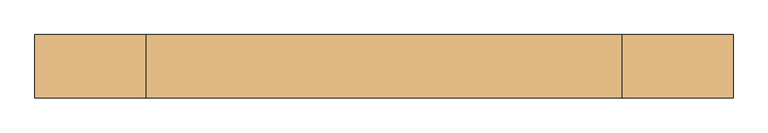
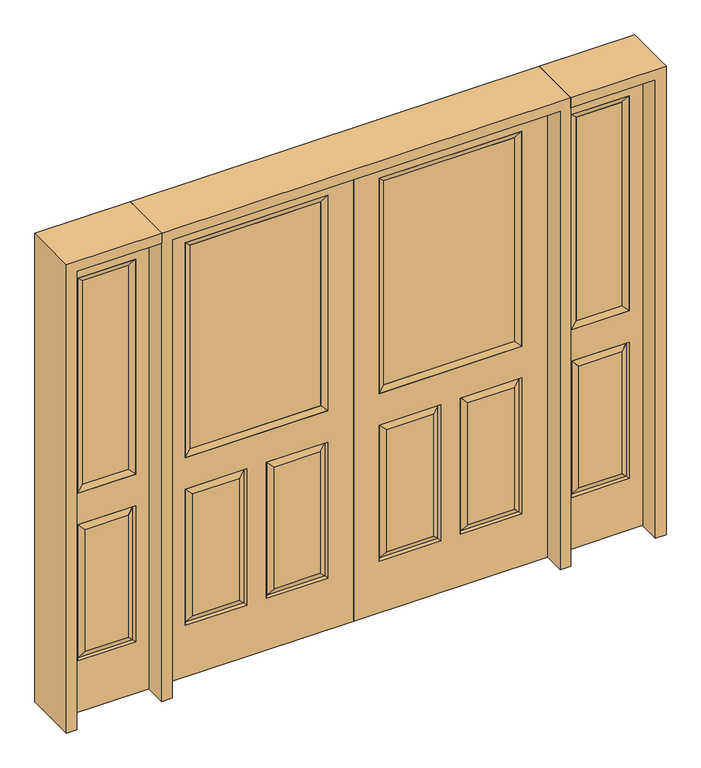
"""IFC4 building model written with IfcOpenShell, lengths in millimetres: door geometry."""

from ifc_helpers import new_model, si_unit, frame, origin, place, context, project, spatial, polyline, outline, extrude, faceted_brep, source, transform, mapped, element, save


def door_e6eff5d9(model_context):
    return source(origin(), model_context, "Body", "SolidModel", [
        faceted_brep([(0.0, -22.225, 0.0), (0.0, -22.225, 2032.0), (-812.8, -22.225, 2032.0), (-812.8, -22.225, 0.0), (-107.061, -22.225, 971.55), (-705.739, -22.225, 971.55), (-705.739, -22.225, 1925.574), (-107.061, -22.225, 1925.574), (-107.061, -22.225, 831.85), (-107.061, -22.225, 228.6), (-365.125, -22.225, 228.6), (-365.125, -22.225, 831.85), (-447.675, -22.225, 831.85), (-447.675, -22.225, 228.6), (-705.739, -22.225, 228.6), (-705.739, -22.225, 831.85), (-333.375, -22.225, 800.1), (-333.375, -22.225, 260.35), (-138.811, -22.225, 260.35), (-138.811, -22.225, 800.1), (-673.989, -22.225, 800.1), (-673.989, -22.225, 260.35), (-479.425, -22.225, 260.35), (-479.425, -22.225, 800.1), (-812.8, 22.225, 0.0), (0.0, 22.225, 0.0), (-812.8, 22.225, 2032.0), (0.0, 22.225, 2032.0), (-107.061, 22.225, 1925.574), (-107.061, 22.225, 971.55), (-705.739, 22.225, 971.55), (-705.739, 22.225, 1925.574), (-365.125, 22.225, 831.85), (-365.125, 22.225, 228.6), (-107.061, 22.225, 228.6), (-107.061, 22.225, 831.85), (-705.739, 22.225, 831.85), (-705.739, 22.225, 228.6), (-447.675, 22.225, 228.6), (-447.675, 22.225, 831.85), (-138.811, 22.225, 800.1), (-138.811, 22.225, 260.35), (-333.375, 22.225, 260.35), (-333.375, 22.225, 800.1), (-479.425, 22.225, 800.1), (-479.425, 22.225, 260.35), (-673.989, 22.225, 260.35), (-673.989, 22.225, 800.1), (-114.20475, -12.7449236, 824.70625), (-357.98125, -12.7449236, 824.70625), (-114.20475, -12.7449236, 235.74375), (-357.98125, -12.7449236, 235.74375), (-698.59525, -12.7449236, 824.70625), (-454.81875, -12.7449236, 824.70625), (-454.81875, -12.7449236, 235.74375), (-698.59525, -12.7449236, 235.74375), (-114.20475, 12.7449236, 824.70625), (-357.98125, 12.7449236, 824.70625), (-357.98125, 12.7449236, 235.74375), (-114.20475, 12.7449236, 235.74375), (-698.59525, 12.7449236, 824.70625), (-454.81875, 12.7449236, 824.70625), (-698.59525, 12.7449236, 235.74375), (-454.81875, 12.7449236, 235.74375)], [[[0, 1, 2, 3], [4, 5, 6, 7], [8, 9, 10, 11], [12, 13, 14, 15]], [[16, 17, 18, 19]], [[20, 21, 22, 23]], [[3, 24, 25, 0]], [[2, 26, 24, 3]], [[0, 25, 27, 1]], [[7, 28, 29, 4]], [[5, 30, 31, 6]], [[4, 29, 30, 5]], [[25, 24, 26, 27], [29, 28, 31, 30], [32, 33, 34, 35], [36, 37, 38, 39]], [[40, 41, 42, 43]], [[44, 45, 46, 47]], [[1, 27, 26, 2]], [[6, 31, 28, 7]], [[16, 19, 48, 49]], [[19, 18, 50, 48]], [[51, 50, 18, 17]], [[49, 51, 17, 16]], [[48, 8, 11, 49]], [[11, 10, 51, 49]], [[10, 9, 50, 51]], [[48, 50, 9, 8]], [[52, 20, 23, 53]], [[23, 22, 54, 53]], [[22, 21, 55, 54]], [[52, 55, 21, 20]], [[53, 12, 15, 52]], [[15, 14, 55, 52]], [[54, 55, 14, 13]], [[53, 54, 13, 12]], [[56, 40, 43, 57]], [[43, 42, 58, 57]], [[42, 41, 59, 58]], [[56, 59, 41, 40]], [[57, 32, 35, 56]], [[35, 34, 59, 56]], [[58, 59, 34, 33]], [[57, 58, 33, 32]], [[44, 47, 60, 61]], [[47, 46, 62, 60]], [[63, 62, 46, 45]], [[61, 63, 45, 44]], [[60, 36, 39, 61]], [[39, 38, 63, 61]], [[38, 37, 62, 63]], [[60, 62, 37, 36]]]),
        extrude(outline(polyline([(-680.339, -12.7), (-680.339, 12.7), (-132.461, 12.7), (-132.461, -12.7), (-680.339, -12.7)])), frame((0.0, 0.0, 996.95), z_axis=(0.0, 0.0, 1.0), x_axis=(1.0, 0.0, 0.0)), (0.0, 0.0, 1.0), 903.224),
        faceted_brep([(-107.061, -22.225, 1925.574), (-107.061, -22.225, 971.55), (-107.061, 22.225, 971.55), (-107.061, 22.225, 1925.574), (-705.739, -22.225, 971.55), (-705.739, 22.225, 971.55), (-680.339, 12.7, 996.95), (-132.461, 12.7, 996.95), (-705.739, -22.225, 1925.574), (-705.739, 22.225, 1925.574), (-132.461, -12.7, 996.95), (-680.339, -12.7, 996.95), (-132.461, -12.7, 1900.174), (-680.339, -12.7, 1900.174), (-132.461, 12.7, 1900.174), (-680.339, 12.7, 1900.174)], [[[0, 1, 2, 3]], [[1, 4, 5, 2]], [[2, 5, 6, 7]], [[4, 8, 9, 5]], [[10, 11, 4, 1]], [[12, 10, 1, 0]], [[11, 13, 8, 4]], [[7, 6, 11, 10]], [[14, 7, 10, 12]], [[6, 15, 13, 11]], [[3, 2, 7, 14]], [[5, 9, 15, 6]], [[8, 0, 3, 9]], [[13, 12, 0, 8]], [[15, 14, 12, 13]], [[9, 3, 14, 15]]]),
        faceted_brep([(0.0, -22.225, 0.0), (812.8, -22.225, 0.0), (812.8, -22.225, 2032.0), (0.0, -22.225, 2032.0), (107.061, -22.225, 971.55), (107.061, -22.225, 1925.574), (705.739, -22.225, 1925.574), (705.739, -22.225, 971.55), (107.061, -22.225, 831.85), (365.125, -22.225, 831.85), (365.125, -22.225, 228.6), (107.061, -22.225, 228.6), (447.675, -22.225, 831.85), (705.739, -22.225, 831.85), (705.739, -22.225, 228.6), (447.675, -22.225, 228.6), (333.375, -22.225, 800.1), (138.811, -22.225, 800.1), (138.811, -22.225, 260.35), (333.375, -22.225, 260.35), (673.989, -22.225, 800.1), (479.425, -22.225, 800.1), (479.425, -22.225, 260.35), (673.989, -22.225, 260.35), (0.0, 22.225, 0.0), (812.8, 22.225, 0.0), (812.8, 22.225, 2032.0), (0.0, 22.225, 2032.0), (107.061, 22.225, 971.55), (107.061, 22.225, 1925.574), (705.739, 22.225, 1925.574), (705.739, 22.225, 971.55), (365.125, 22.225, 831.85), (107.061, 22.225, 831.85), (107.061, 22.225, 228.6), (365.125, 22.225, 228.6), (705.739, 22.225, 831.85), (447.675, 22.225, 831.85), (447.675, 22.225, 228.6), (705.739, 22.225, 228.6), (138.811, 22.225, 800.1), (333.375, 22.225, 800.1), (333.375, 22.225, 260.35), (138.811, 22.225, 260.35), (479.425, 22.225, 800.1), (673.989, 22.225, 800.1), (673.989, 22.225, 260.35), (479.425, 22.225, 260.35), (357.98125, -12.7449236, 824.70625), (114.20475, -12.7449236, 824.70625), (114.20475, -12.7449236, 235.74375), (357.98125, -12.7449236, 235.74375), (698.59525, -12.7449236, 824.70625), (454.81875, -12.7449236, 824.70625), (454.81875, -12.7449236, 235.74375), (698.59525, -12.7449236, 235.74375), (114.20475, 12.7449236, 824.70625), (357.98125, 12.7449236, 824.70625), (357.98125, 12.7449236, 235.74375), (114.20475, 12.7449236, 235.74375), (454.81875, 12.7449236, 824.70625), (698.59525, 12.7449236, 824.70625), (698.59525, 12.7449236, 235.74375), (454.81875, 12.7449236, 235.74375)], [[[0, 1, 2, 3], [4, 5, 6, 7], [8, 9, 10, 11], [12, 13, 14, 15]], [[16, 17, 18, 19]], [[20, 21, 22, 23]], [[1, 0, 24, 25]], [[2, 1, 25, 26]], [[0, 3, 27, 24]], [[5, 4, 28, 29]], [[7, 6, 30, 31]], [[4, 7, 31, 28]], [[24, 27, 26, 25], [28, 31, 30, 29], [32, 33, 34, 35], [36, 37, 38, 39]], [[40, 41, 42, 43]], [[44, 45, 46, 47]], [[3, 2, 26, 27]], [[6, 5, 29, 30]], [[16, 48, 49, 17]], [[17, 49, 50, 18]], [[51, 19, 18, 50]], [[48, 16, 19, 51]], [[49, 48, 9, 8]], [[9, 48, 51, 10]], [[10, 51, 50, 11]], [[49, 8, 11, 50]], [[52, 53, 21, 20]], [[21, 53, 54, 22]], [[22, 54, 55, 23]], [[52, 20, 23, 55]], [[53, 52, 13, 12]], [[13, 52, 55, 14]], [[54, 15, 14, 55]], [[53, 12, 15, 54]], [[56, 57, 41, 40]], [[41, 57, 58, 42]], [[42, 58, 59, 43]], [[56, 40, 43, 59]], [[57, 56, 33, 32]], [[33, 56, 59, 34]], [[58, 35, 34, 59]], [[57, 32, 35, 58]], [[44, 60, 61, 45]], [[45, 61, 62, 46]], [[63, 47, 46, 62]], [[60, 44, 47, 63]], [[61, 60, 37, 36]], [[37, 60, 63, 38]], [[38, 63, 62, 39]], [[61, 36, 39, 62]]]),
        extrude(outline(polyline([(680.339, -12.7), (132.461, -12.7), (132.461, 12.7), (680.339, 12.7), (680.339, -12.7)])), frame((0.0, 0.0, 996.95), z_axis=(0.0, 0.0, 1.0), x_axis=(1.0, 0.0, 0.0)), (0.0, 0.0, 1.0), 903.224),
        faceted_brep([(107.061, -22.225, 1925.574), (107.061, 22.225, 1925.574), (107.061, 22.225, 971.55), (107.061, -22.225, 971.55), (705.739, 22.225, 971.55), (705.739, -22.225, 971.55), (132.461, 12.7, 996.95), (680.339, 12.7, 996.95), (705.739, 22.225, 1925.574), (705.739, -22.225, 1925.574), (132.461, -12.7, 996.95), (680.339, -12.7, 996.95), (132.461, -12.7, 1900.174), (680.339, -12.7, 1900.174), (132.461, 12.7, 1900.174), (680.339, 12.7, 1900.174)], [[[0, 1, 2, 3]], [[3, 2, 4, 5]], [[2, 6, 7, 4]], [[5, 4, 8, 9]], [[10, 3, 5, 11]], [[12, 0, 3, 10]], [[11, 5, 9, 13]], [[6, 10, 11, 7]], [[14, 12, 10, 6]], [[7, 11, 13, 15]], [[1, 14, 6, 2]], [[4, 7, 15, 8]], [[9, 8, 1, 0]], [[13, 9, 0, 12]], [[15, 13, 12, 14]], [[8, 15, 14, 1]]]),
        faceted_brep([(1212.85, -22.225, 0.0), (1212.85, -22.225, 2032.0), (857.25, -22.225, 2032.0), (857.25, -22.225, 0.0), (913.638, -22.225, 1925.574), (1156.462, -22.225, 1925.574), (1156.462, -22.225, 971.55), (913.638, -22.225, 971.55), (913.638, -22.225, 228.6), (913.638, -22.225, 831.85), (1156.462, -22.225, 831.85), (1156.462, -22.225, 228.6), (1124.5559872, -22.225, 260.5060128), (1124.5559872, -22.225, 799.9439872), (945.5440128, -22.225, 799.9439872), (945.5440128, -22.225, 260.5060128), (857.25, 22.225, 0.0), (1212.85, 22.225, 0.0), (857.25, 22.225, 2032.0), (1212.85, 22.225, 2032.0), (913.638, 22.225, 971.55), (913.638, 22.225, 1925.574), (1156.462, 22.225, 971.55), (1156.462, 22.225, 1925.574), (1156.462, 22.225, 228.6), (1156.462, 22.225, 831.85), (913.638, 22.225, 831.85), (913.638, 22.225, 228.6), (945.5440128, 22.225, 260.5060128), (945.5440128, 22.225, 799.9439872), (1124.5559872, 22.225, 799.9439872), (1124.5559872, 22.225, 260.5060128), (1149.5419933, -13.0418409, 235.5200067), (920.5580067, -13.0418409, 235.5200067), (1149.5419933, -13.0418409, 824.9299933), (920.5580067, -13.0418409, 824.9299933), (1149.5419933, 13.0418409, 235.5200067), (920.5580067, 13.0418409, 235.5200067), (920.5580067, 13.0418409, 824.9299933), (1149.5419933, 13.0418409, 824.9299933)], [[[0, 1, 2, 3], [4, 5, 6, 7], [8, 9, 10, 11]], [[12, 13, 14, 15]], [[3, 16, 17, 0]], [[2, 18, 16, 3]], [[0, 17, 19, 1]], [[7, 20, 21, 4]], [[6, 22, 20, 7]], [[5, 23, 22, 6]], [[17, 16, 18, 19], [21, 20, 22, 23], [24, 25, 26, 27]], [[28, 29, 30, 31]], [[1, 19, 18, 2]], [[4, 21, 23, 5]], [[8, 11, 32, 33]], [[11, 10, 34, 32]], [[35, 34, 10, 9]], [[33, 35, 9, 8]], [[32, 12, 15, 33]], [[15, 14, 35, 33]], [[14, 13, 34, 35]], [[32, 34, 13, 12]], [[36, 24, 27, 37]], [[27, 26, 38, 37]], [[26, 25, 39, 38]], [[36, 39, 25, 24]], [[37, 28, 31, 36]], [[31, 30, 39, 36]], [[38, 39, 30, 29]], [[37, 38, 29, 28]]]),
        extrude(outline(polyline([(939.038, -12.7), (939.038, 12.7), (1131.062, 12.7), (1131.062, -12.7), (939.038, -12.7)])), frame((0.0, 0.0, 996.95), z_axis=(0.0, 0.0, 1.0), x_axis=(1.0, 0.0, 0.0)), (0.0, 0.0, 1.0), 903.224),
        faceted_brep([(1156.462, -22.225, 1925.574), (1156.462, -22.225, 971.55), (1156.462, 22.225, 971.55), (1156.462, 22.225, 1925.574), (913.638, -22.225, 971.55), (913.638, 22.225, 971.55), (939.038, 12.7, 996.95), (1131.062, 12.7, 996.95), (913.638, -22.225, 1925.574), (913.638, 22.225, 1925.574), (1131.062, -12.7, 996.95), (939.038, -12.7, 996.95), (1131.062, -12.7, 1900.174), (939.038, -12.7, 1900.174), (1131.062, 12.7, 1900.174), (939.038, 12.7, 1900.174)], [[[0, 1, 2, 3]], [[1, 4, 5, 2]], [[2, 5, 6, 7]], [[4, 8, 9, 5]], [[10, 11, 4, 1]], [[12, 10, 1, 0]], [[11, 13, 8, 4]], [[7, 6, 11, 10]], [[14, 7, 10, 12]], [[6, 15, 13, 11]], [[3, 2, 7, 14]], [[5, 9, 15, 6]], [[8, 0, 3, 9]], [[13, 12, 0, 8]], [[15, 14, 12, 13]], [[9, 3, 14, 15]]]),
        faceted_brep([(-1212.85, -22.225, 0.0), (-857.25, -22.225, 0.0), (-857.25, -22.225, 2032.0), (-1212.85, -22.225, 2032.0), (-913.638, -22.225, 1925.574), (-913.638, -22.225, 971.55), (-1156.462, -22.225, 971.55), (-1156.462, -22.225, 1925.574), (-913.638, -22.225, 228.6), (-1156.462, -22.225, 228.6), (-1156.462, -22.225, 831.85), (-913.638, -22.225, 831.85), (-1124.5559872, -22.225, 260.5060128), (-945.5440128, -22.225, 260.5060128), (-945.5440128, -22.225, 799.9439872), (-1124.5559872, -22.225, 799.9439872), (-1212.85, 22.225, 0.0), (-857.25, 22.225, 0.0), (-857.25, 22.225, 2032.0), (-1212.85, 22.225, 2032.0), (-913.638, 22.225, 1925.574), (-913.638, 22.225, 971.55), (-1156.462, 22.225, 971.55), (-1156.462, 22.225, 1925.574), (-1156.462, 22.225, 228.6), (-913.638, 22.225, 228.6), (-913.638, 22.225, 831.85), (-1156.462, 22.225, 831.85), (-945.5440128, 22.225, 260.5060128), (-1124.5559872, 22.225, 260.5060128), (-1124.5559872, 22.225, 799.9439872), (-945.5440128, 22.225, 799.9439872), (-920.5580067, -13.0418409, 235.5200067), (-1149.5419933, -13.0418409, 235.5200067), (-1149.5419933, -13.0418409, 824.9299933), (-920.5580067, -13.0418409, 824.9299933), (-1149.5419933, 13.0418409, 235.5200067), (-920.5580067, 13.0418409, 235.5200067), (-920.5580067, 13.0418409, 824.9299933), (-1149.5419933, 13.0418409, 824.9299933)], [[[0, 1, 2, 3], [4, 5, 6, 7], [8, 9, 10, 11]], [[12, 13, 14, 15]], [[1, 0, 16, 17]], [[2, 1, 17, 18]], [[0, 3, 19, 16]], [[5, 4, 20, 21]], [[6, 5, 21, 22]], [[7, 6, 22, 23]], [[16, 19, 18, 17], [20, 23, 22, 21], [24, 25, 26, 27]], [[28, 29, 30, 31]], [[3, 2, 18, 19]], [[4, 7, 23, 20]], [[8, 32, 33, 9]], [[9, 33, 34, 10]], [[35, 11, 10, 34]], [[32, 8, 11, 35]], [[33, 32, 13, 12]], [[13, 32, 35, 14]], [[14, 35, 34, 15]], [[33, 12, 15, 34]], [[36, 37, 25, 24]], [[25, 37, 38, 26]], [[26, 38, 39, 27]], [[36, 24, 27, 39]], [[37, 36, 29, 28]], [[29, 36, 39, 30]], [[38, 31, 30, 39]], [[37, 28, 31, 38]]]),
        extrude(outline(polyline([(-939.038, -12.7), (-1131.062, -12.7), (-1131.062, 12.7), (-939.038, 12.7), (-939.038, -12.7)])), frame((0.0, 0.0, 996.95), z_axis=(0.0, 0.0, 1.0), x_axis=(1.0, 0.0, 0.0)), (0.0, 0.0, 1.0), 903.224),
        faceted_brep([(-1156.462, -22.225, 1925.574), (-1156.462, 22.225, 1925.574), (-1156.462, 22.225, 971.55), (-1156.462, -22.225, 971.55), (-913.638, 22.225, 971.55), (-913.638, -22.225, 971.55), (-1131.062, 12.7, 996.95), (-939.038, 12.7, 996.95), (-913.638, 22.225, 1925.574), (-913.638, -22.225, 1925.574), (-1131.062, -12.7, 996.95), (-939.038, -12.7, 996.95), (-1131.062, -12.7, 1900.174), (-939.038, -12.7, 1900.174), (-1131.062, 12.7, 1900.174), (-939.038, 12.7, 1900.174)], [[[0, 1, 2, 3]], [[3, 2, 4, 5]], [[2, 6, 7, 4]], [[5, 4, 8, 9]], [[10, 3, 5, 11]], [[12, 0, 3, 10]], [[11, 5, 9, 13]], [[6, 10, 11, 7]], [[14, 12, 10, 6]], [[7, 11, 13, 15]], [[1, 14, 6, 2]], [[4, 7, 15, 8]], [[9, 8, 1, 0]], [[13, 9, 0, 12]], [[15, 13, 12, 14]], [[8, 15, 14, 1]]]),
        extrude(outline(polyline([(2032.0, -857.25), (2076.45, -857.25), (2076.45, -1257.3), (0.0, -1257.3), (0.0, -1212.85), (2032.0, -1212.85), (2032.0, -857.25)])), frame((0.0, -114.3, 0.0), z_axis=(0.0, 1.0, 0.0), x_axis=(0.0, 0.0, 1.0)), (0.0, 0.0, 1.0), 228.6),
        extrude(outline(polyline([(2076.45, 857.25), (2032.0, 857.25), (2032.0, 1212.85), (0.0, 1212.85), (0.0, 1257.3), (2076.45, 1257.3), (2076.45, 857.25)])), frame((0.0, -114.3, 0.0), z_axis=(0.0, 1.0, 0.0), x_axis=(0.0, 0.0, 1.0)), (0.0, 0.0, 1.0), 228.6),
        extrude(outline(polyline([(0.0, -857.25), (0.0, -812.8), (2032.0, -812.8), (2032.0, 812.8), (0.0, 812.8), (0.0, 857.25), (2076.45, 857.25), (2076.45, -857.25), (0.0, -857.25)])), frame((0.0, -114.3, 0.0), z_axis=(0.0, 1.0, 0.0), x_axis=(0.0, 0.0, 1.0)), (0.0, 0.0, 1.0), 228.6),
    ])


if __name__ == "__main__":
    model = new_model("IFC4")
    model_context = context("Model", 3, world=origin())
    ifc_project = project(units=[si_unit("LENGTHUNIT", "METRE", prefix="MILLI")], contexts=[model_context])
    site = spatial("IfcSite", under=ifc_project)
    building = spatial("IfcBuilding", under=site)
    placement = place(None, origin())
    door_shape = door_e6eff5d9(model_context)
    element("IfcDoor", 1, at=placement, inside=building, context=model_context, shape_type="MappedRepresentation", body=[
        mapped(door_shape, transform((0.0, 0.0, 0.0), x_axis=(1.0, 0.0, 0.0), y_axis=(0.0, 1.0, 0.0), z_axis=(0.0, 0.0, 1.0))),
    ])
    save(model, "model.ifc")
